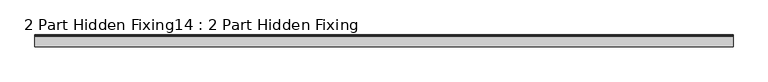
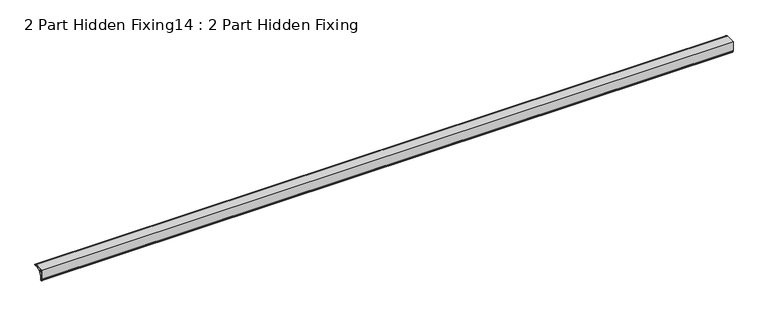
"""IFC4 building model written with IfcOpenShell, lengths in millimetres: proxy geometry, 2 Part Hidden Fixing14 : 2 Part Hidden Fixing."""

from ifc_helpers import new_model, si_unit, point, frame, frame_2d, origin, place, context, project, spatial, polyline, circle_curve, trimmed, segment, composite_curve, outline, extrude, source, transform, mapped, element, save


def proxy_2_part_hidden_fixing14_2_part_hidden_fixing_a54b2d56(model_context):
    return source(origin(), model_context, "Body", "SweptSolid", [
        extrude(outline(composite_curve([segment(polyline([(-23194.8128608, 1396.1887139), (-23194.8128608, 1388.1387139)]), True, "CONTINUOUS"), segment(trimmed(circle_curve(frame_2d((-23196.8535448, 1388.1387139)), 2.040684), [point((-23194.8128608, 1388.1387139))], [point((-23197.3541018, 1386.1603728))], False, "CARTESIAN"), True, "CONTINUOUS"), segment(trimmed(circle_curve(frame_2d((-23197.1286675, 1387.051352)), 0.9190564), [point((-23197.3541018, 1386.1603728))], [point((-23197.153337, 1387.9700773))], False, "CARTESIAN"), True, "CONTINUOUS"), segment(trimmed(circle_curve(frame_2d((-23197.1770192, 1388.8520351)), 0.8822757), [point((-23197.153337, 1387.9700773))], [point((-23197.1818748, 1389.7342974))], True, "CARTESIAN"), True, "CONTINUOUS"), segment(polyline([(-23197.1818748, 1389.7342974), (-23198.9648435, 1389.7387164)]), True, "CONTINUOUS"), segment(trimmed(circle_curve(frame_2d((-23198.8118378, 1390.9937296)), 1.2643057), [point((-23198.9648435, 1389.7387164))], [point((-23200.0128608, 1391.3887139))], False, "CARTESIAN"), True, "CONTINUOUS"), segment(polyline([(-23200.0128608, 1391.3887139), (-23200.0128608, 1426.3887139), (-23165.0128608, 1426.3887139)]), True, "CONTINUOUS"), segment(trimmed(circle_curve(frame_2d((-23164.6178764, 1425.187691)), 1.2643057), [point((-23165.0128608, 1426.3887139))], [point((-23163.3628633, 1425.3406967))], False, "CARTESIAN"), True, "CONTINUOUS"), segment(polyline([(-23163.3628633, 1425.3406967), (-23163.3584443, 1423.5577279)]), True, "CONTINUOUS"), segment(trimmed(circle_curve(frame_2d((-23162.4761819, 1423.5528723)), 0.8822757), [point((-23163.3584443, 1423.5577279))], [point((-23161.5942241, 1423.5291901))], True, "CARTESIAN"), True, "CONTINUOUS"), segment(trimmed(circle_curve(frame_2d((-23160.6754989, 1423.5045207)), 0.9190564), [point((-23161.5942241, 1423.5291901))], [point((-23159.7845196, 1423.729955))], False, "CARTESIAN"), True, "CONTINUOUS"), segment(trimmed(circle_curve(frame_2d((-23161.7628608, 1423.2293979)), 2.040684), [point((-23159.7845196, 1423.729955))], [point((-23161.7628608, 1421.1887139))], False, "CARTESIAN"), True, "CONTINUOUS"), segment(polyline([(-23161.7628608, 1421.1887139), (-23169.8128608, 1421.1887139)]), True, "CONTINUOUS"), segment(trimmed(circle_curve(frame_2d((-23169.8128608, 1396.1887139)), 25.0), [point((-23169.8128608, 1421.1887139))], [point((-23194.8128608, 1396.1887139))], True, "CARTESIAN"), True, "CONTINUOUS")], self_intersect=False), holes=[composite_curve([segment(trimmed(circle_curve(frame_2d((-23169.8128608, 1396.1887139)), 26.4), [point((-23189.1741896, 1414.1358292))], [point((-23187.7599761, 1415.5500428))], False, "CARTESIAN"), True, "CONTINUOUS"), segment(polyline([(-23187.7599761, 1415.5500428), (-23194.2180795, 1422.0081462), (-23194.2180795, 1424.1887139), (-23197.8128608, 1424.1887139), (-23197.8128608, 1420.5939326), (-23195.632293, 1420.5939326), (-23189.1741896, 1414.1358292)]), True, "CONTINUOUS")], self_intersect=False), composite_curve([segment(polyline([(-23196.2128608, 1392.6812187), (-23196.2128608, 1394.6889157)]), True, "CONTINUOUS"), segment(trimmed(circle_curve(frame_2d((-23198.3191499, 1394.6889157)), 2.1062891), [point((-23196.2128608, 1394.6889157))], [point((-23196.7959672, 1396.14369))], True, "CARTESIAN"), True, "CONTINUOUS"), segment(trimmed(circle_curve(frame_2d((-23195.7794833, 1397.1145222)), 1.4056154), [point((-23196.7959672, 1396.14369))], [point((-23197.0128608, 1397.7887139))], False, "CARTESIAN"), True, "CONTINUOUS"), segment(trimmed(circle_curve(frame_2d((-23190.0796616, 1393.998872)), 7.901402), [point((-23197.0128608, 1397.7887139))], [point((-23196.0424867, 1399.1831626))], False, "CARTESIAN"), True, "CONTINUOUS"), segment(trimmed(circle_curve(frame_2d((-23169.8128608, 1396.1887139)), 26.4), [point((-23196.0424867, 1399.1831626))], [point((-23190.2282058, 1412.9271036))], False, "CARTESIAN"), True, "CONTINUOUS"), segment(polyline([(-23190.2282058, 1412.9271036), (-23194.3152219, 1417.0141198)]), True, "CONTINUOUS"), segment(trimmed(circle_curve(frame_2d((-23195.0243044, 1416.5211208)), 0.8636238), [point((-23194.3152219, 1417.0141198))], [point((-23195.5173034, 1415.8120383))], False, "CARTESIAN"), True, "CONTINUOUS"), segment(polyline([(-23195.5173034, 1415.8120383), (-23197.8128608, 1417.4080551), (-23197.8128608, 1393.3064156)]), True, "CONTINUOUS"), segment(trimmed(circle_curve(frame_2d((-23197.1810533, 1392.5633798)), 0.9753373), [point((-23197.8128608, 1393.3064156))], [point((-23196.2128608, 1392.6812187))], True, "CARTESIAN"), True, "CONTINUOUS")], self_intersect=False), composite_curve([segment(trimmed(circle_curve(frame_2d((-23169.8128608, 1396.1887139)), 26.4), [point((-23186.5512505, 1416.6040589))], [point((-23172.8073095, 1422.4183399))], False, "CARTESIAN"), True, "CONTINUOUS"), segment(trimmed(circle_curve(frame_2d((-23167.6230188, 1416.4555147)), 7.901402), [point((-23172.8073095, 1422.4183399))], [point((-23171.4128608, 1423.3887139))], False, "CARTESIAN"), True, "CONTINUOUS"), segment(trimmed(circle_curve(frame_2d((-23170.738669, 1422.1553364)), 1.4056154), [point((-23171.4128608, 1423.3887139))], [point((-23169.7678368, 1423.1718204))], False, "CARTESIAN"), True, "CONTINUOUS"), segment(trimmed(circle_curve(frame_2d((-23168.3130625, 1424.695003)), 2.1062891), [point((-23169.7678368, 1423.1718204))], [point((-23168.3130625, 1422.5887139))], True, "CARTESIAN"), True, "CONTINUOUS"), segment(polyline([(-23168.3130625, 1422.5887139), (-23166.3053656, 1422.5887139)]), True, "CONTINUOUS"), segment(trimmed(circle_curve(frame_2d((-23166.1875266, 1423.5569065)), 0.9753373), [point((-23166.3053656, 1422.5887139))], [point((-23166.9305624, 1424.1887139))], True, "CARTESIAN"), True, "CONTINUOUS"), segment(polyline([(-23166.9305624, 1424.1887139), (-23191.032202, 1424.1887139), (-23189.4361851, 1421.8931566)]), True, "CONTINUOUS"), segment(trimmed(circle_curve(frame_2d((-23190.1452676, 1421.4001575)), 0.8636238), [point((-23189.4361851, 1421.8931566))], [point((-23190.6382667, 1420.6910751))], False, "CARTESIAN"), True, "CONTINUOUS"), segment(polyline([(-23190.6382667, 1420.6910751), (-23186.5512505, 1416.6040589)]), True, "CONTINUOUS")], self_intersect=False)]), frame((-2519.6640929, 0.0, 0.0), z_axis=(1.0, 0.0, 0.0), x_axis=(0.0, 1.0, 0.0)), (0.0, 0.0, 1.0), 2410.0),
    ])


if __name__ == "__main__":
    model = new_model("IFC4")
    model_context = context("Model", 3, world=origin())
    ifc_project = project(units=[si_unit("LENGTHUNIT", "METRE", prefix="MILLI")], contexts=[model_context])
    site = spatial("IfcSite", under=ifc_project)
    building = spatial("IfcBuilding", under=site)
    placement = place(None, origin())
    proxy_2_part_hidden_fixing14_2_part_hidden_fixing_shape = proxy_2_part_hidden_fixing14_2_part_hidden_fixing_a54b2d56(model_context)
    element("IfcBuildingElementProxy", 1, Name="2 Part Hidden Fixing14 : 2 Part Hidden Fixing", ObjectType="2 Part Hidden Fixing14 : 2 Part Hidden Fixing", at=placement, inside=building, context=model_context, shape_type="MappedRepresentation", body=[
        mapped(proxy_2_part_hidden_fixing14_2_part_hidden_fixing_shape, transform((0.0, 0.0, 0.0), x_axis=(1.0, 0.0, 0.0), y_axis=(0.0, 1.0, 0.0), z_axis=(0.0, 0.0, 1.0))),
    ])
    save(model, "model.ifc")
